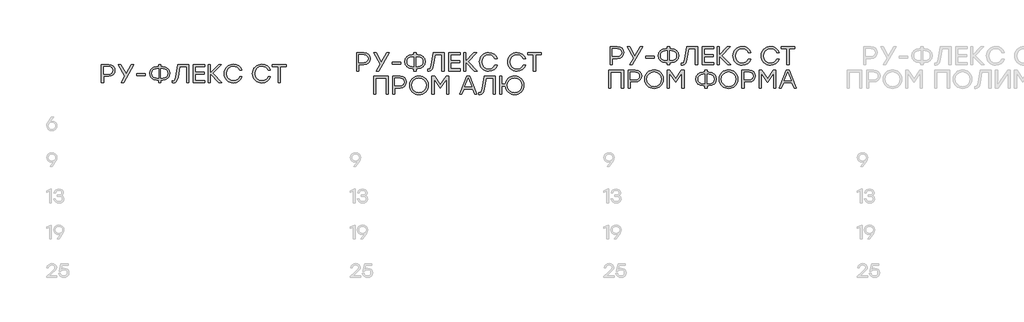
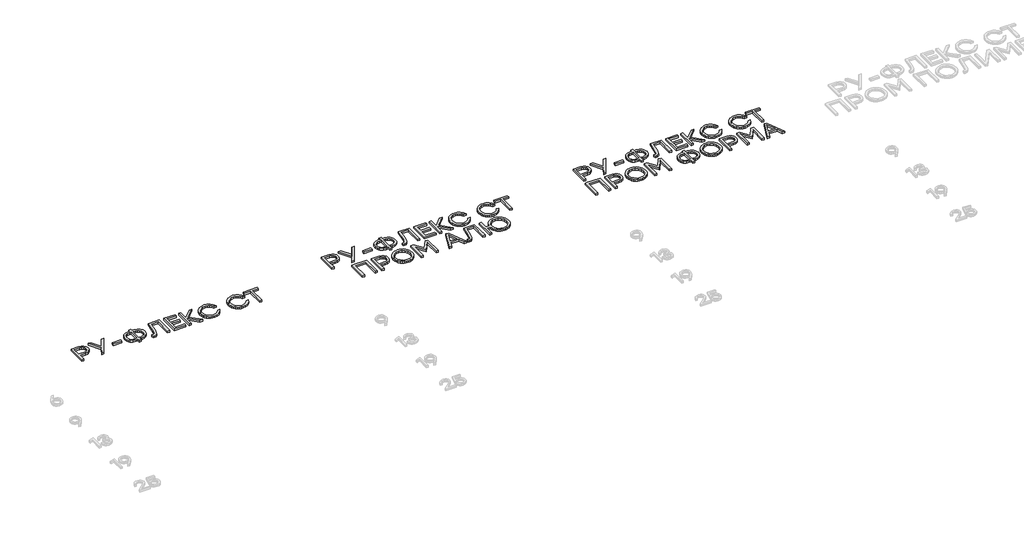
# One storey, part 25 of 41: 3 proxies.
"""IFC4 building model written with IfcOpenShell, lengths in millimetres."""

from ifc_helpers import new_model, si_unit, origin, origin_with_axes, place, context, project, spatial, polyline, outline, extrude, element, save

model = new_model("IFC4")

# Units and contexts
model_context = context("Model", 3, world=origin())
ifc_project = project(units=[si_unit("LENGTHUNIT", "METRE", prefix="MILLI")], contexts=[model_context])

# Site, building, storey
site = spatial("IfcSite", under=ifc_project)
building = spatial("IfcBuilding", under=site)
storey = spatial("IfcBuildingStorey", under=building, Elevation=0.0)

# Proxies
placement = place(None, origin())
element("IfcBuildingElementProxy", 1, Name="Generic Models", at=placement, inside=storey, context=model_context, shape_type="SweptSolid", body=[
    extrude(outline(polyline([(7309.0016488, -31173.0395342), (7338.0207206, -31177.5040068), (7359.8858785, -31190.8974245), (7373.6020292, -31211.3506257), (7378.1740794, -31236.9944487), (7373.5616876, -31263.0282406), (7359.724512, -31283.8983052), (7337.8190125, -31297.6144559), (7309.0016488, -31302.1865062), (7252.4158035, -31302.1865062), (7252.4158035, -31373.0263904), (7228.6949311, -31373.0263904), (7228.6949311, -31173.0395342), (7309.0016488, -31173.0395342)]), holes=[polyline([(7308.1410276, -31279.5951991), (7328.0092753, -31276.596472), (7342.4314043, -31267.6002908), (7351.2057066, -31254.0320594), (7354.1304741, -31237.3171816), (7351.2057066, -31220.6695399), (7342.4314043, -31207.3030166), (7328.0092753, -31198.5085435), (7308.1410276, -31195.5770524), (7252.4158035, -31195.5770524), (7252.4158035, -31279.5951991), (7308.1410276, -31279.5951991)])]), origin_with_axes(), (0.0, 0.0, 1.0), 20.0),
    extrude(outline(polyline([(7587.1974584, -31173.0395342), (7474.0795567, -31373.0263904), (7447.2389324, -31373.0263904), (7488.6563286, -31300.4652637), (7415.772469, -31173.0395342), (7442.6668822, -31173.0395342), (7501.7808023, -31275.0231489), (7560.6257782, -31173.0395342), (7587.1974584, -31173.0395342)])), origin_with_axes(), (0.0, 0.0, 1.0), 20.0),
    extrude(outline(polyline([(7713.7625667, -31275.614826), (7713.7625667, -31298.1523442), (7621.1382078, -31298.1523442), (7621.1382078, -31275.614826), (7713.7625667, -31275.614826)])), origin_with_axes(), (0.0, 0.0, 1.0), 20.0),
    extrude(outline(polyline([(7904.3363783, -31195.5770524), (7935.9843789, -31200.6869909), (7961.7559503, -31216.0168064), (7971.7455439, -31227.1191564), (7978.8809679, -31239.9864521), (7984.5893071, -31271.0158813), (7978.9145859, -31302.0453105), (7971.8211845, -31314.9126063), (7961.8904224, -31326.0149562), (7936.152469, -31341.3447717), (7904.3363783, -31346.4547102), (7884.595879, -31346.4547102), (7884.595879, -31373.0263904), (7860.8750066, -31373.0263904), (7860.8750066, -31346.4547102), (7840.9193521, -31346.4547102), (7809.0629197, -31341.3447717), (7783.3115191, -31326.0149562), (7773.380757, -31314.9126063), (7766.2873556, -31302.0453105), (7760.6126344, -31271.0158813), (7766.3276972, -31239.9864521), (7773.4715257, -31227.1191564), (7783.4728856, -31216.0168064), (7809.2646278, -31200.6869909), (7840.9193521, -31195.5770524), (7860.8750066, -31195.5770524), (7860.8750066, -31173.0395342), (7884.595879, -31173.0395342), (7884.595879, -31195.5770524), (7904.3363783, -31195.5770524)]), holes=[polyline([(7904.3363783, -31323.8634032), (7926.9411325, -31320.4007475), (7945.0545198, -31310.0127804), (7956.9552976, -31293.3382442), (7960.9222235, -31271.0158813), (7956.9552976, -31248.6935184), (7945.0545198, -31232.0189823), (7926.9411325, -31221.6310152), (7904.3363783, -31218.1683595), (7884.595879, -31218.1683595), (7884.595879, -31323.8634032), (7904.3363783, -31323.8634032)]), polyline([(7840.9193521, -31323.8634032), (7860.8750066, -31323.8634032), (7860.8750066, -31218.1683595), (7840.9193521, -31218.1683595), (7818.5163059, -31221.6310152), (7800.4701547, -31232.0189823), (7788.5693769, -31248.6935184), (7784.6024509, -31271.0158813), (7788.5290352, -31293.3382442), (7800.3087882, -31310.0127804), (7818.3145978, -31320.4007475), (7840.9193521, -31323.8634032)])]), origin_with_axes(), (0.0, 0.0, 1.0), 20.0),
    extrude(outline(polyline([(8074.2552805, -31173.0395342), (8194.5270961, -31173.0395342), (8194.5270961, -31373.0263904), (8170.8062237, -31373.0263904), (8170.8062237, -31195.5770524), (8094.2109351, -31195.5770524), (8075.1159018, -31311.8684949), (8068.0157767, -31341.8893836), (8058.2262103, -31361.5962648), (8045.0210534, -31372.5086729), (8027.674157, -31376.1461423), (8011.9678197, -31375.2855211), (8011.9678197, -31353.6086241), (8023.1021067, -31354.1465124), (8033.7993596, -31351.8604872), (8041.3634133, -31345.0024119), (8051.6639735, -31310.4699854), (8074.2552805, -31173.0395342)])), origin_with_axes(), (0.0, 0.0, 1.0), 20.0),
    extrude(outline(polyline([(8371.1158129, -31195.5770524), (8267.948844, -31195.5770524), (8267.948844, -31259.0478675), (8364.2308431, -31259.0478675), (8364.2308431, -31281.5853857), (8267.948844, -31281.5853857), (8267.948844, -31350.4350833), (8371.1158129, -31350.4350833), (8371.1158129, -31373.0263904), (8244.2279716, -31373.0263904), (8244.2279716, -31173.0395342), (8371.1158129, -31173.0395342), (8371.1158129, -31195.5770524)])), origin_with_axes(), (0.0, 0.0, 1.0), 20.0),
    extrude(outline(polyline([(8557.7630401, -31373.0263904), (8527.2109868, -31373.0263904), (8433.1881184, -31275.8837701), (8433.1881184, -31373.0263904), (8409.467246, -31373.0263904), (8409.467246, -31173.0395342), (8433.1881184, -31173.0395342), (8433.1881184, -31266.7396696), (8524.0912349, -31173.0395342), (8554.3743441, -31173.0395342), (8459.7597986, -31271.0427757), (8557.7630401, -31373.0263904)])), origin_with_axes(), (0.0, 0.0, 1.0), 20.0),
    extrude(outline(polyline([(8686.8024344, -31376.1461423), (8665.6045941, -31374.3072368), (8646.2792774, -31368.7905203), (8628.8264842, -31359.5959928), (8613.2462144, -31346.7236543), (8600.4327075, -31331.0828722), (8591.2802025, -31313.5830137), (8585.7886995, -31294.224079), (8583.9581985, -31273.0060679), (8585.7886995, -31251.7880568), (8591.2802025, -31232.4291221), (8600.4327075, -31214.9292636), (8613.2462144, -31199.2884814), (8628.8264842, -31186.416143), (8646.2792774, -31177.2216155), (8665.6045941, -31171.704899), (8686.8024344, -31169.8659935), (8718.282345, -31174.4044257), (8745.8087769, -31188.0197223), (8767.5529099, -31209.2730323), (8781.685924, -31236.7255046), (8756.2438092, -31236.7255046), (8744.7800656, -31218.5179869), (8728.6770357, -31204.4522088), (8708.9298128, -31195.4560276), (8686.5334903, -31192.4573005), (8655.6318096, -31198.2059813), (8630.3779556, -31215.4520238), (8613.5555002, -31241.34462), (8607.9480151, -31273.0329623), (8613.5555002, -31304.7213046), (8630.3779556, -31330.6139009), (8655.6318096, -31347.8599433), (8686.5334903, -31353.6086241), (8708.9298128, -31350.609897), (8728.6770357, -31341.6137158), (8744.7800656, -31327.5344905), (8756.2438092, -31309.2866312), (8781.685924, -31309.2866312), (8767.5529099, -31336.7727215), (8745.8087769, -31358.0193079), (8718.282345, -31371.6144337), (8686.8024344, -31376.1461423)])), origin_with_axes(), (0.0, 0.0, 1.0), 20.0),
    extrude(outline(polyline([(9000.0685588, -31376.1461423), (8978.8707185, -31374.3072368), (8959.5454018, -31368.7905203), (8942.0926085, -31359.5959928), (8926.5123388, -31346.7236543), (8913.6988318, -31331.0828722), (8904.5463269, -31313.5830137), (8899.0548239, -31294.224079), (8897.2243229, -31273.0060679), (8899.0548239, -31251.7880568), (8904.5463269, -31232.4291221), (8913.6988318, -31214.9292636), (8926.5123388, -31199.2884814), (8942.0926085, -31186.416143), (8959.5454018, -31177.2216155), (8978.8707185, -31171.704899), (9000.0685588, -31169.8659935), (9031.5484694, -31174.4044257), (9059.0749012, -31188.0197223), (9080.8190342, -31209.2730323), (9094.9520484, -31236.7255046), (9069.5099335, -31236.7255046), (9058.0461899, -31218.5179869), (9041.94316, -31204.4522088), (9022.1959372, -31195.4560276), (8999.7996146, -31192.4573005), (8968.8979339, -31198.2059813), (8943.64408, -31215.4520238), (8926.8216246, -31241.34462), (8921.2141394, -31273.0329623), (8926.8216246, -31304.7213046), (8943.64408, -31330.6139009), (8968.8979339, -31347.8599433), (8999.7996146, -31353.6086241), (9022.1959372, -31350.609897), (9041.94316, -31341.6137158), (9058.0461899, -31327.5344905), (9069.5099335, -31309.2866312), (9094.9520484, -31309.2866312), (9080.8190342, -31336.7727215), (9059.0749012, -31358.0193079), (9031.5484694, -31371.6144337), (9000.0685588, -31376.1461423)])), origin_with_axes(), (0.0, 0.0, 1.0), 20.0),
    extrude(outline(polyline([(9269.8733115, -31173.0395342), (9269.8733115, -31195.5770524), (9205.2729311, -31195.5770524), (9205.2729311, -31373.0263904), (9181.2831146, -31373.0263904), (9181.2831146, -31195.5770524), (9117.0054671, -31195.5770524), (9117.0054671, -31173.0395342), (9269.8733115, -31173.0395342)])), origin_with_axes(), (0.0, 0.0, 1.0), 20.0),
])
element("IfcBuildingElementProxy", 2, Name="Generic Models", at=placement, inside=storey, context=model_context, shape_type="SweptSolid", body=[
    extrude(outline(polyline([(10129.0016488, -31043.7784127), (10158.0207206, -31048.2428853), (10179.8858785, -31061.636303), (10193.6020292, -31082.0895042), (10198.1740794, -31107.7333272), (10193.5616876, -31133.7671191), (10179.724512, -31154.6371837), (10157.8190125, -31168.3533344), (10129.0016488, -31172.9253847), (10072.4158035, -31172.9253847), (10072.4158035, -31243.7652689), (10048.6949311, -31243.7652689), (10048.6949311, -31043.7784127), (10129.0016488, -31043.7784127)]), holes=[polyline([(10128.1410276, -31150.3340776), (10148.0092753, -31147.3353505), (10162.4314043, -31138.3391693), (10171.2057066, -31124.7709379), (10174.1304741, -31108.0560601), (10171.2057066, -31091.4084184), (10162.4314043, -31078.0418951), (10148.0092753, -31069.247422), (10128.1410276, -31066.3159309), (10072.4158035, -31066.3159309), (10072.4158035, -31150.3340776), (10128.1410276, -31150.3340776)])]), origin_with_axes(), (0.0, 0.0, 1.0), 20.0),
    extrude(outline(polyline([(10407.1974584, -31043.7784127), (10294.0795567, -31243.7652689), (10267.2389324, -31243.7652689), (10308.6563286, -31171.2041422), (10235.772469, -31043.7784127), (10262.6668822, -31043.7784127), (10321.7808023, -31145.7620274), (10380.6257782, -31043.7784127), (10407.1974584, -31043.7784127)])), origin_with_axes(), (0.0, 0.0, 1.0), 20.0),
    extrude(outline(polyline([(10533.7625667, -31146.3537045), (10533.7625667, -31168.8912227), (10441.1382078, -31168.8912227), (10441.1382078, -31146.3537045), (10533.7625667, -31146.3537045)])), origin_with_axes(), (0.0, 0.0, 1.0), 20.0),
    extrude(outline(polyline([(10724.3363783, -31066.3159309), (10755.9843789, -31071.4258694), (10781.7559503, -31086.7556849), (10791.7455439, -31097.8580349), (10798.8809679, -31110.7253306), (10804.5893071, -31141.7547598), (10798.9145859, -31172.784189), (10791.8211845, -31185.6514848), (10781.8904224, -31196.7538347), (10756.152469, -31212.0836502), (10724.3363783, -31217.1935887), (10704.595879, -31217.1935887), (10704.595879, -31243.7652689), (10680.8750066, -31243.7652689), (10680.8750066, -31217.1935887), (10660.9193521, -31217.1935887), (10629.0629197, -31212.0836502), (10603.3115191, -31196.7538347), (10593.380757, -31185.6514848), (10586.2873556, -31172.784189), (10580.6126344, -31141.7547598), (10586.3276972, -31110.7253306), (10593.4715257, -31097.8580349), (10603.4728856, -31086.7556849), (10629.2646278, -31071.4258694), (10660.9193521, -31066.3159309), (10680.8750066, -31066.3159309), (10680.8750066, -31043.7784127), (10704.595879, -31043.7784127), (10704.595879, -31066.3159309), (10724.3363783, -31066.3159309)]), holes=[polyline([(10724.3363783, -31194.6022816), (10746.9411325, -31191.139626), (10765.0545198, -31180.7516589), (10776.9552976, -31164.0771227), (10780.9222235, -31141.7547598), (10776.9552976, -31119.4323969), (10765.0545198, -31102.7578607), (10746.9411325, -31092.3698937), (10724.3363783, -31088.907238), (10704.595879, -31088.907238), (10704.595879, -31194.6022816), (10724.3363783, -31194.6022816)]), polyline([(10660.9193521, -31194.6022816), (10680.8750066, -31194.6022816), (10680.8750066, -31088.907238), (10660.9193521, -31088.907238), (10638.5163059, -31092.3698937), (10620.4701547, -31102.7578607), (10608.5693769, -31119.4323969), (10604.6024509, -31141.7547598), (10608.5290352, -31164.0771227), (10620.3087882, -31180.7516589), (10638.3145978, -31191.139626), (10660.9193521, -31194.6022816)])]), origin_with_axes(), (0.0, 0.0, 1.0), 20.0),
    extrude(outline(polyline([(10894.2552805, -31043.7784127), (11014.5270961, -31043.7784127), (11014.5270961, -31243.7652689), (10990.8062237, -31243.7652689), (10990.8062237, -31066.3159309), (10914.2109351, -31066.3159309), (10895.1159018, -31182.6073734), (10888.0157767, -31212.6282621), (10878.2262103, -31232.3351433), (10865.0210534, -31243.2475514), (10847.674157, -31246.8850208), (10831.9678197, -31246.0243996), (10831.9678197, -31224.3475026), (10843.1021067, -31224.8853909), (10853.7993596, -31222.5993657), (10861.3634133, -31215.7412904), (10871.6639735, -31181.2088639), (10894.2552805, -31043.7784127)])), origin_with_axes(), (0.0, 0.0, 1.0), 20.0),
    extrude(outline(polyline([(11191.1158129, -31066.3159309), (11087.948844, -31066.3159309), (11087.948844, -31129.786746), (11184.2308431, -31129.786746), (11184.2308431, -31152.3242642), (11087.948844, -31152.3242642), (11087.948844, -31221.1739618), (11191.1158129, -31221.1739618), (11191.1158129, -31243.7652689), (11064.2279716, -31243.7652689), (11064.2279716, -31043.7784127), (11191.1158129, -31043.7784127), (11191.1158129, -31066.3159309)])), origin_with_axes(), (0.0, 0.0, 1.0), 20.0),
    extrude(outline(polyline([(11377.7630401, -31243.7652689), (11347.2109868, -31243.7652689), (11253.1881184, -31146.6226486), (11253.1881184, -31243.7652689), (11229.467246, -31243.7652689), (11229.467246, -31043.7784127), (11253.1881184, -31043.7784127), (11253.1881184, -31137.4785481), (11344.0912349, -31043.7784127), (11374.3743441, -31043.7784127), (11279.7597986, -31141.7816542), (11377.7630401, -31243.7652689)])), origin_with_axes(), (0.0, 0.0, 1.0), 20.0),
    extrude(outline(polyline([(11506.8024344, -31246.8850208), (11485.6045941, -31245.0461153), (11466.2792774, -31239.5293988), (11448.8264842, -31230.3348713), (11433.2462144, -31217.4625328), (11420.4327075, -31201.8217507), (11411.2802025, -31184.3218922), (11405.7886995, -31164.9629575), (11403.9581985, -31143.7449464), (11405.7886995, -31122.5269353), (11411.2802025, -31103.1680005), (11420.4327075, -31085.6681421), (11433.2462144, -31070.0273599), (11448.8264842, -31057.1550215), (11466.2792774, -31047.960494), (11485.6045941, -31042.4437775), (11506.8024344, -31040.604872), (11538.282345, -31045.1433042), (11565.8087769, -31058.7586008), (11587.5529099, -31080.0119108), (11601.685924, -31107.464383), (11576.2438092, -31107.464383), (11564.7800656, -31089.2568653), (11548.6770357, -31075.1910873), (11528.9298128, -31066.1949061), (11506.5334903, -31063.196179), (11475.6318096, -31068.9448598), (11450.3779556, -31086.1909022), (11433.5555002, -31112.0834985), (11427.9480151, -31143.7718408), (11433.5555002, -31175.4601831), (11450.3779556, -31201.3527793), (11475.6318096, -31218.5988218), (11506.5334903, -31224.3475026), (11528.9298128, -31221.3487755), (11548.6770357, -31212.3525943), (11564.7800656, -31198.273369), (11576.2438092, -31180.0255097), (11601.685924, -31180.0255097), (11587.5529099, -31207.5116), (11565.8087769, -31228.7581863), (11538.282345, -31242.3533122), (11506.8024344, -31246.8850208)])), origin_with_axes(), (0.0, 0.0, 1.0), 20.0),
    extrude(outline(polyline([(11820.0685588, -31246.8850208), (11798.8707185, -31245.0461153), (11779.5454018, -31239.5293988), (11762.0926085, -31230.3348713), (11746.5123388, -31217.4625328), (11733.6988318, -31201.8217507), (11724.5463269, -31184.3218922), (11719.0548239, -31164.9629575), (11717.2243229, -31143.7449464), (11719.0548239, -31122.5269353), (11724.5463269, -31103.1680005), (11733.6988318, -31085.6681421), (11746.5123388, -31070.0273599), (11762.0926085, -31057.1550215), (11779.5454018, -31047.960494), (11798.8707185, -31042.4437775), (11820.0685588, -31040.604872), (11851.5484694, -31045.1433042), (11879.0749012, -31058.7586008), (11900.8190342, -31080.0119108), (11914.9520484, -31107.464383), (11889.5099335, -31107.464383), (11878.0461899, -31089.2568653), (11861.94316, -31075.1910873), (11842.1959372, -31066.1949061), (11819.7996146, -31063.196179), (11788.8979339, -31068.9448598), (11763.64408, -31086.1909022), (11746.8216246, -31112.0834985), (11741.2141394, -31143.7718408), (11746.8216246, -31175.4601831), (11763.64408, -31201.3527793), (11788.8979339, -31218.5988218), (11819.7996146, -31224.3475026), (11842.1959372, -31221.3487755), (11861.94316, -31212.3525943), (11878.0461899, -31198.273369), (11889.5099335, -31180.0255097), (11914.9520484, -31180.0255097), (11900.8190342, -31207.5116), (11879.0749012, -31228.7581863), (11851.5484694, -31242.3533122), (11820.0685588, -31246.8850208)])), origin_with_axes(), (0.0, 0.0, 1.0), 20.0),
    extrude(outline(polyline([(12089.8733115, -31043.7784127), (12089.8733115, -31066.3159309), (12025.2729311, -31066.3159309), (12025.2729311, -31243.7652689), (12001.2831146, -31243.7652689), (12001.2831146, -31066.3159309), (11937.0054671, -31066.3159309), (11937.0054671, -31043.7784127), (12089.8733115, -31043.7784127)])), origin_with_axes(), (0.0, 0.0, 1.0), 20.0),
    extrude(outline(polyline([(10398.0533579, -31302.3006557), (10398.0533579, -31502.2875119), (10374.3324855, -31502.2875119), (10374.3324855, -31324.8381739), (10258.3099872, -31324.8381739), (10258.3099872, -31502.2875119), (10234.5891148, -31502.2875119), (10234.5891148, -31302.3006557), (10258.3099872, -31302.3006557), (10398.0533579, -31302.3006557)])), origin_with_axes(), (0.0, 0.0, 1.0), 20.0),
    extrude(outline(polyline([(10528.3298952, -31302.3006557), (10557.348967, -31306.7651283), (10579.2141249, -31320.1585461), (10592.9302756, -31340.6117473), (10597.5023259, -31366.2555702), (10592.889934, -31392.2893621), (10579.0527584, -31413.1594267), (10557.1472589, -31426.8755774), (10528.3298952, -31431.4476277), (10471.74405, -31431.4476277), (10471.74405, -31502.2875119), (10448.0231776, -31502.2875119), (10448.0231776, -31302.3006557), (10528.3298952, -31302.3006557)]), holes=[polyline([(10527.469274, -31408.8563206), (10547.3375217, -31405.8575936), (10561.7596508, -31396.8614124), (10570.5339531, -31383.2931809), (10573.4587205, -31366.5783031), (10570.5339531, -31349.9306614), (10561.7596508, -31336.5641381), (10547.3375217, -31327.769665), (10527.469274, -31324.8381739), (10471.74405, -31324.8381739), (10471.74405, -31408.8563206), (10527.469274, -31408.8563206)])]), origin_with_axes(), (0.0, 0.0, 1.0), 20.0),
    extrude(outline(polyline([(10662.1027062, -31328.7109694), (10677.8964504, -31315.7680331), (10695.4248841, -31306.5230786), (10714.6880075, -31300.9761059), (10735.6858206, -31299.127115), (10756.6651438, -31300.9761059), (10775.8727975, -31306.5230786), (10793.3087817, -31315.7680331), (10808.9730964, -31328.7109694), (10821.9042665, -31344.4038595), (10831.1408165, -31361.8986753), (10836.6827465, -31381.1954167), (10838.5300565, -31402.2940838), (10836.6726611, -31423.39107), (10831.1004749, -31442.6827688), (10821.8134978, -31460.16918), (10808.81173, -31475.8503038), (10793.0784983, -31488.7814738), (10775.5971297, -31498.0180238), (10756.3676243, -31503.5599538), (10735.3899821, -31505.4072638), (10714.4123398, -31503.5599538), (10695.1828344, -31498.0180238), (10677.7014659, -31488.7814738), (10661.9682342, -31475.8503038), (10648.9664663, -31460.16918), (10639.6794893, -31442.6827688), (10634.1073031, -31423.39107), (10632.2499076, -31402.2940838), (10634.1157076, -31381.1954167), (10639.7131073, -31361.8986753), (10649.0421069, -31344.4038595), (10662.1027062, -31328.7109694)]), holes=[polyline([(10735.4168765, -31321.718422), (10704.6093262, -31327.5007208), (10679.0999753, -31344.8476173), (10661.954787, -31370.767108), (10656.2397242, -31402.2671894), (10661.954787, -31433.7739944), (10679.0999753, -31459.7136559), (10704.6093262, -31477.0807232), (10735.4168765, -31482.8697456), (10766.3857932, -31477.1210648), (10791.8413553, -31459.8750224), (10808.8655188, -31433.9824261), (10814.54024, -31402.2940838), (10808.8655188, -31370.6057415), (10791.8413553, -31344.7131453), (10766.3857932, -31327.4671028), (10735.4168765, -31321.718422)])]), origin_with_axes(), (0.0, 0.0, 1.0), 20.0),
    extrude(outline(polyline([(11036.3653596, -31302.3006557), (11065.5189035, -31302.3006557), (11065.5189035, -31502.2875119), (11041.7980311, -31502.2875119), (11041.7980311, -31332.8527091), (10974.0778988, -31435.1590567), (10971.8187681, -31435.1590567), (10904.0986357, -31332.8527091), (10904.0986357, -31502.2875119), (10880.3777634, -31502.2875119), (10880.3777634, -31302.3006557), (10909.5313072, -31302.3006557), (10972.9483334, -31397.7220336), (11036.3653596, -31302.3006557)])), origin_with_axes(), (0.0, 0.0, 1.0), 20.0),
    extrude(outline(polyline([(11351.9444035, -31502.2875119), (11328.2235311, -31442.2591817), (11235.3840169, -31442.2591817), (11211.6631445, -31502.2875119), (11186.5437626, -31502.2875119), (11266.5277473, -31302.3006557), (11297.0798007, -31302.3006557), (11377.1175742, -31502.2875119), (11351.9444035, -31502.2875119)]), holes=[polyline([(11244.5281174, -31419.7216635), (11319.4021636, -31419.7216635), (11281.9651405, -31324.8381739), (11244.5281174, -31419.7216635)])]), origin_with_axes(), (0.0, 0.0, 1.0), 20.0),
    extrude(outline(polyline([(11458.8228014, -31302.3006557), (11579.094617, -31302.3006557), (11579.094617, -31502.2875119), (11555.3737446, -31502.2875119), (11555.3737446, -31324.8381739), (11478.7784559, -31324.8381739), (11459.6834226, -31441.1296164), (11452.5832975, -31471.1505051), (11442.7937311, -31490.8573863), (11429.5885743, -31501.7697944), (11412.2416778, -31505.4072638), (11396.5353405, -31504.5466426), (11396.5353405, -31482.8697456), (11407.6696275, -31483.4076339), (11418.3668804, -31481.1216087), (11425.9309341, -31474.2635334), (11436.2314943, -31439.7311069), (11458.8228014, -31302.3006557)])), origin_with_axes(), (0.0, 0.0, 1.0), 20.0),
    extrude(outline(polyline([(11793.1203568, -31299.127115), (11814.1080845, -31300.9761059), (11833.3409517, -31306.5230786), (11850.8189584, -31315.7680331), (11866.5421047, -31328.7109694), (11879.5321062, -31344.4038595), (11888.8106788, -31361.8986753), (11894.3778223, -31381.1954167), (11896.2335368, -31402.2940838), (11894.3778223, -31423.39107), (11888.8106788, -31442.6827688), (11879.5321062, -31460.16918), (11866.5421047, -31475.8503038), (11850.8189584, -31488.7814738), (11833.3409517, -31498.0180238), (11814.1080845, -31503.5599538), (11793.1203568, -31505.4072638), (11773.5630757, -31503.7919181), (11755.4480076, -31498.9458811), (11738.7751523, -31490.8691526), (11723.54451, -31479.5617328), (11710.5998927, -31465.7733033), (11700.7851128, -31450.2535461), (11694.1001703, -31433.0024609), (11690.545065, -31414.0200479), (11652.5163648, -31414.0200479), (11652.5163648, -31502.2875119), (11628.7954925, -31502.2875119), (11628.7954925, -31302.3006557), (11652.5163648, -31302.3006557), (11652.5163648, -31391.1597968), (11690.2761209, -31391.1597968), (11693.8295452, -31372.0261027), (11700.5094451, -31354.6439073), (11710.3158205, -31339.0132106), (11723.2486714, -31325.1340125), (11738.4877183, -31313.7559948), (11755.2126815, -31305.6288393), (11773.423561, -31300.7525461), (11793.1203568, -31299.127115)]), holes=[polyline([(11736.6420892, -31459.9019168), (11762.1379928, -31477.1277884), (11793.1203568, -31482.8697456), (11824.0892735, -31477.1210648), (11849.5448356, -31459.8750224), (11866.5689991, -31433.9824261), (11872.2437203, -31402.2940838), (11866.5689991, -31370.6057415), (11849.5448356, -31344.7131453), (11824.0892735, -31327.4671028), (11793.1203568, -31321.718422), (11762.1447164, -31327.4671028), (11736.6689836, -31344.7131453), (11719.5574132, -31370.6057415), (11713.6742603, -31402.2940838), (11719.5506896, -31433.9891497), (11736.6420892, -31459.9019168)])]), origin_with_axes(), (0.0, 0.0, 1.0), 20.0),
])
element("IfcBuildingElementProxy", 3, Name="Generic Models", at=placement, inside=storey, context=model_context, shape_type="SweptSolid", body=[
    extrude(outline(polyline([(12929.0016488, -30976.5012744), (12958.0207206, -30980.965747), (12979.8858785, -30994.3591647), (12993.6020292, -31014.8123659), (12998.1740794, -31040.4561888), (12993.5616876, -31066.4899808), (12979.724512, -31087.3600454), (12957.8190125, -31101.0761961), (12929.0016488, -31105.6482463), (12872.4158035, -31105.6482463), (12872.4158035, -31176.4881306), (12848.6949311, -31176.4881306), (12848.6949311, -30976.5012744), (12929.0016488, -30976.5012744)]), holes=[polyline([(12928.1410276, -31083.0569393), (12948.0092753, -31080.0582122), (12962.4314043, -31071.062031), (12971.2057066, -31057.4937996), (12974.1304741, -31040.7789218), (12971.2057066, -31024.1312801), (12962.4314043, -31010.7647567), (12948.0092753, -31001.9702836), (12928.1410276, -30999.0387926), (12872.4158035, -30999.0387926), (12872.4158035, -31083.0569393), (12928.1410276, -31083.0569393)])]), origin_with_axes(), (0.0, 0.0, 1.0), 20.0),
    extrude(outline(polyline([(13207.1974584, -30976.5012744), (13094.0795567, -31176.4881306), (13067.2389324, -31176.4881306), (13108.6563286, -31103.9270039), (13035.772469, -30976.5012744), (13062.6668822, -30976.5012744), (13121.7808023, -31078.484889), (13180.6257782, -30976.5012744), (13207.1974584, -30976.5012744)])), origin_with_axes(), (0.0, 0.0, 1.0), 20.0),
    extrude(outline(polyline([(13333.7625667, -31079.0765661), (13333.7625667, -31101.6140843), (13241.1382078, -31101.6140843), (13241.1382078, -31079.0765661), (13333.7625667, -31079.0765661)])), origin_with_axes(), (0.0, 0.0, 1.0), 20.0),
    extrude(outline(polyline([(13524.3363783, -30999.0387926), (13555.9843789, -31004.1487311), (13581.7559503, -31019.4785466), (13591.7455439, -31030.5808965), (13598.8809679, -31043.4481923), (13604.5893071, -31074.4776215), (13598.9145859, -31105.5070506), (13591.8211845, -31118.3743464), (13581.8904224, -31129.4766964), (13556.152469, -31144.8065119), (13524.3363783, -31149.9164504), (13504.595879, -31149.9164504), (13504.595879, -31176.4881306), (13480.8750066, -31176.4881306), (13480.8750066, -31149.9164504), (13460.9193521, -31149.9164504), (13429.0629197, -31144.8065119), (13403.3115191, -31129.4766964), (13393.380757, -31118.3743464), (13386.2873556, -31105.5070506), (13380.6126344, -31074.4776215), (13386.3276972, -31043.4481923), (13393.4715257, -31030.5808965), (13403.4728856, -31019.4785466), (13429.2646278, -31004.1487311), (13460.9193521, -30999.0387926), (13480.8750066, -30999.0387926), (13480.8750066, -30976.5012744), (13504.595879, -30976.5012744), (13504.595879, -30999.0387926), (13524.3363783, -30999.0387926)]), holes=[polyline([(13524.3363783, -31127.3251433), (13546.9411325, -31123.8624876), (13565.0545198, -31113.4745205), (13576.9552976, -31096.7999844), (13580.9222235, -31074.4776215), (13576.9552976, -31052.1552586), (13565.0545198, -31035.4807224), (13546.9411325, -31025.0927553), (13524.3363783, -31021.6300996), (13504.595879, -31021.6300996), (13504.595879, -31127.3251433), (13524.3363783, -31127.3251433)]), polyline([(13460.9193521, -31127.3251433), (13480.8750066, -31127.3251433), (13480.8750066, -31021.6300996), (13460.9193521, -31021.6300996), (13438.5163059, -31025.0927553), (13420.4701547, -31035.4807224), (13408.5693769, -31052.1552586), (13404.6024509, -31074.4776215), (13408.5290352, -31096.7999844), (13420.3087882, -31113.4745205), (13438.3145978, -31123.8624876), (13460.9193521, -31127.3251433)])]), origin_with_axes(), (0.0, 0.0, 1.0), 20.0),
    extrude(outline(polyline([(13694.2552805, -30976.5012744), (13814.5270961, -30976.5012744), (13814.5270961, -31176.4881306), (13790.8062237, -31176.4881306), (13790.8062237, -30999.0387926), (13714.2109351, -30999.0387926), (13695.1159018, -31115.3302351), (13688.0157767, -31145.3511237), (13678.2262103, -31165.058005), (13665.0210534, -31175.9704131), (13647.674157, -31179.6078825), (13631.9678197, -31178.7472613), (13631.9678197, -31157.0703643), (13643.1021067, -31157.6082525), (13653.7993596, -31155.3222274), (13661.3634133, -31148.4641521), (13671.6639735, -31113.9317256), (13694.2552805, -30976.5012744)])), origin_with_axes(), (0.0, 0.0, 1.0), 20.0),
    extrude(outline(polyline([(13991.1158129, -30999.0387926), (13887.948844, -30999.0387926), (13887.948844, -31062.5096076), (13984.2308431, -31062.5096076), (13984.2308431, -31085.0471258), (13887.948844, -31085.0471258), (13887.948844, -31153.8968235), (13991.1158129, -31153.8968235), (13991.1158129, -31176.4881306), (13864.2279716, -31176.4881306), (13864.2279716, -30976.5012744), (13991.1158129, -30976.5012744), (13991.1158129, -30999.0387926)])), origin_with_axes(), (0.0, 0.0, 1.0), 20.0),
    extrude(outline(polyline([(14177.7630401, -31176.4881306), (14147.2109868, -31176.4881306), (14053.1881184, -31079.3455103), (14053.1881184, -31176.4881306), (14029.467246, -31176.4881306), (14029.467246, -30976.5012744), (14053.1881184, -30976.5012744), (14053.1881184, -31070.2014098), (14144.0912349, -30976.5012744), (14174.3743441, -30976.5012744), (14079.7597986, -31074.5045159), (14177.7630401, -31176.4881306)])), origin_with_axes(), (0.0, 0.0, 1.0), 20.0),
    extrude(outline(polyline([(14306.8024344, -31179.6078825), (14285.6045941, -31177.768977), (14266.2792774, -31172.2522605), (14248.8264842, -31163.057733), (14233.2462144, -31150.1853945), (14220.4327075, -31134.5446123), (14211.2802025, -31117.0447539), (14205.7886995, -31097.6858191), (14203.9581985, -31076.4678081), (14205.7886995, -31055.249797), (14211.2802025, -31035.8908622), (14220.4327075, -31018.3910038), (14233.2462144, -31002.7502216), (14248.8264842, -30989.8778831), (14266.2792774, -30980.6833556), (14285.6045941, -30975.1666391), (14306.8024344, -30973.3277336), (14338.282345, -30977.8661658), (14365.8087769, -30991.4814625), (14387.5529099, -31012.7347725), (14401.685924, -31040.1872447), (14376.2438092, -31040.1872447), (14364.7800656, -31021.979727), (14348.6770357, -31007.9139489), (14328.9298128, -30998.9177677), (14306.5334903, -30995.9190407), (14275.6318096, -31001.6677215), (14250.3779556, -31018.9137639), (14233.5555002, -31044.8063602), (14227.9480151, -31076.4947025), (14233.5555002, -31108.1830448), (14250.3779556, -31134.075641), (14275.6318096, -31151.3216834), (14306.5334903, -31157.0703643), (14328.9298128, -31154.0716372), (14348.6770357, -31145.075456), (14364.7800656, -31130.9962307), (14376.2438092, -31112.7483714), (14401.685924, -31112.7483714), (14387.5529099, -31140.2344616), (14365.8087769, -31161.481048), (14338.282345, -31175.0761739), (14306.8024344, -31179.6078825)])), origin_with_axes(), (0.0, 0.0, 1.0), 20.0),
    extrude(outline(polyline([(14620.0685588, -31179.6078825), (14598.8707185, -31177.768977), (14579.5454018, -31172.2522605), (14562.0926085, -31163.057733), (14546.5123388, -31150.1853945), (14533.6988318, -31134.5446123), (14524.5463269, -31117.0447539), (14519.0548239, -31097.6858191), (14517.2243229, -31076.4678081), (14519.0548239, -31055.249797), (14524.5463269, -31035.8908622), (14533.6988318, -31018.3910038), (14546.5123388, -31002.7502216), (14562.0926085, -30989.8778831), (14579.5454018, -30980.6833556), (14598.8707185, -30975.1666391), (14620.0685588, -30973.3277336), (14651.5484694, -30977.8661658), (14679.0749012, -30991.4814625), (14700.8190342, -31012.7347725), (14714.9520484, -31040.1872447), (14689.5099335, -31040.1872447), (14678.0461899, -31021.979727), (14661.94316, -31007.9139489), (14642.1959372, -30998.9177677), (14619.7996146, -30995.9190407), (14588.8979339, -31001.6677215), (14563.64408, -31018.9137639), (14546.8216246, -31044.8063602), (14541.2141394, -31076.4947025), (14546.8216246, -31108.1830448), (14563.64408, -31134.075641), (14588.8979339, -31151.3216834), (14619.7996146, -31157.0703643), (14642.1959372, -31154.0716372), (14661.94316, -31145.075456), (14678.0461899, -31130.9962307), (14689.5099335, -31112.7483714), (14714.9520484, -31112.7483714), (14700.8190342, -31140.2344616), (14679.0749012, -31161.481048), (14651.5484694, -31175.0761739), (14620.0685588, -31179.6078825)])), origin_with_axes(), (0.0, 0.0, 1.0), 20.0),
    extrude(outline(polyline([(14889.8733115, -30976.5012744), (14889.8733115, -30999.0387926), (14825.2729311, -30999.0387926), (14825.2729311, -31176.4881306), (14801.2831146, -31176.4881306), (14801.2831146, -30999.0387926), (14737.0054671, -30999.0387926), (14737.0054671, -30976.5012744), (14889.8733115, -30976.5012744)])), origin_with_axes(), (0.0, 0.0, 1.0), 20.0),
    extrude(outline(polyline([(12996.6679923, -31235.0235174), (12996.6679923, -31435.0103736), (12972.9471199, -31435.0103736), (12972.9471199, -31257.5610356), (12856.9246216, -31257.5610356), (12856.9246216, -31435.0103736), (12833.2037492, -31435.0103736), (12833.2037492, -31235.0235174), (12856.9246216, -31235.0235174), (12996.6679923, -31235.0235174)])), origin_with_axes(), (0.0, 0.0, 1.0), 20.0),
    extrude(outline(polyline([(13126.9445296, -31235.0235174), (13155.9636014, -31239.48799), (13177.8287593, -31252.8814077), (13191.54491, -31273.3346089), (13196.1169602, -31298.9784319), (13191.5045683, -31325.0122238), (13177.6673928, -31345.8822884), (13155.7618933, -31359.5984391), (13126.9445296, -31364.1704893), (13070.3586843, -31364.1704893), (13070.3586843, -31435.0103736), (13046.6378119, -31435.0103736), (13046.6378119, -31235.0235174), (13126.9445296, -31235.0235174)]), holes=[polyline([(13126.0839084, -31341.5791823), (13145.9521561, -31338.5804552), (13160.3742851, -31329.584274), (13169.1485874, -31316.0160426), (13172.0733548, -31299.3011648), (13169.1485874, -31282.6535231), (13160.3742851, -31269.2869997), (13145.9521561, -31260.4925266), (13126.0839084, -31257.5610356), (13070.3586843, -31257.5610356), (13070.3586843, -31341.5791823), (13126.0839084, -31341.5791823)])]), origin_with_axes(), (0.0, 0.0, 1.0), 20.0),
    extrude(outline(polyline([(13260.7173406, -31261.4338311), (13276.5110847, -31248.4908948), (13294.0395185, -31239.2459403), (13313.3026419, -31233.6989675), (13334.300455, -31231.8499766), (13355.2797781, -31233.6989675), (13374.4874318, -31239.2459403), (13391.923416, -31248.4908948), (13407.5877308, -31261.4338311), (13420.5189008, -31277.1267212), (13429.7554508, -31294.6215369), (13435.2973808, -31313.9182784), (13437.1446908, -31335.0169455), (13435.2872954, -31356.1139317), (13429.7151092, -31375.4056304), (13420.4281322, -31392.8920417), (13407.4263643, -31408.5731654), (13391.6931326, -31421.5043355), (13374.2117641, -31430.7408855), (13354.9822587, -31436.2828155), (13334.0046164, -31438.1301255), (13313.0269742, -31436.2828155), (13293.7974688, -31430.7408855), (13276.3161002, -31421.5043355), (13260.5828685, -31408.5731654), (13247.5811007, -31392.8920417), (13238.2941236, -31375.4056304), (13232.7219374, -31356.1139317), (13230.864542, -31335.0169455), (13232.7303419, -31313.9182784), (13238.3277416, -31294.6215369), (13247.6567412, -31277.1267212), (13260.7173406, -31261.4338311)]), holes=[polyline([(13334.0315108, -31254.4412837), (13303.2239606, -31260.2235825), (13277.7146097, -31277.570479), (13260.5694213, -31303.4899697), (13254.8543585, -31334.9900511), (13260.5694213, -31366.4968561), (13277.7146097, -31392.4365175), (13303.2239606, -31409.8035848), (13334.0315108, -31415.5926073), (13365.0004276, -31409.8439265), (13390.4559896, -31392.597884), (13407.4801531, -31366.7052878), (13413.1548743, -31335.0169455), (13407.4801531, -31303.3286032), (13390.4559896, -31277.4360069), (13365.0004276, -31260.1899645), (13334.0315108, -31254.4412837)])]), origin_with_axes(), (0.0, 0.0, 1.0), 20.0),
    extrude(outline(polyline([(13634.979994, -31235.0235174), (13664.1335378, -31235.0235174), (13664.1335378, -31435.0103736), (13640.4126654, -31435.0103736), (13640.4126654, -31265.5755707), (13572.6925331, -31367.8819183), (13570.4334024, -31367.8819183), (13502.7132701, -31265.5755707), (13502.7132701, -31435.0103736), (13478.9923977, -31435.0103736), (13478.9923977, -31235.0235174), (13508.1459415, -31235.0235174), (13571.5629678, -31330.4448952), (13634.979994, -31235.0235174)])), origin_with_axes(), (0.0, 0.0, 1.0), 20.0),
    extrude(outline(polyline([(13939.1558067, -31257.5610356), (13970.8038073, -31262.6709741), (13996.5753787, -31278.0007896), (14006.5649723, -31289.1031395), (14013.7003963, -31301.9704353), (14019.4087355, -31332.9998645), (14013.7340143, -31364.0292937), (14006.6406129, -31376.8965895), (13996.7098508, -31387.9989394), (13970.9718974, -31403.3287549), (13939.1558067, -31408.4386934), (13919.4153074, -31408.4386934), (13919.4153074, -31435.0103736), (13895.694435, -31435.0103736), (13895.694435, -31408.4386934), (13875.7387805, -31408.4386934), (13843.8823481, -31403.3287549), (13818.1309475, -31387.9989394), (13808.2001854, -31376.8965895), (13801.106784, -31364.0292937), (13795.4320628, -31332.9998645), (13801.1471256, -31301.9704353), (13808.2909541, -31289.1031395), (13818.292314, -31278.0007896), (13844.0840562, -31262.6709741), (13875.7387805, -31257.5610356), (13895.694435, -31257.5610356), (13895.694435, -31235.0235174), (13919.4153074, -31235.0235174), (13919.4153074, -31257.5610356), (13939.1558067, -31257.5610356)]), holes=[polyline([(13875.7387805, -31385.8473863), (13895.694435, -31385.8473863), (13895.694435, -31280.1523427), (13875.7387805, -31280.1523427), (13853.3357343, -31283.6149983), (13835.2895831, -31294.0029654), (13823.3888053, -31310.6775016), (13819.4218793, -31332.9998645), (13823.3484636, -31355.3222274), (13835.1282166, -31371.9967636), (13853.1340262, -31382.3847306), (13875.7387805, -31385.8473863)]), polyline([(13939.1558067, -31385.8473863), (13961.7605609, -31382.3847306), (13979.8739482, -31371.9967636), (13991.774726, -31355.3222274), (13995.7416519, -31332.9998645), (13991.774726, -31310.6775016), (13979.8739482, -31294.0029654), (13961.7605609, -31283.6149983), (13939.1558067, -31280.1523427), (13919.4153074, -31280.1523427), (13919.4153074, -31385.8473863), (13939.1558067, -31385.8473863)])]), origin_with_axes(), (0.0, 0.0, 1.0), 20.0),
    extrude(outline(polyline([(14083.4712276, -31261.4338311), (14099.2649717, -31248.4908948), (14116.7934055, -31239.2459403), (14136.0565289, -31233.6989675), (14157.054342, -31231.8499766), (14178.0336652, -31233.6989675), (14197.2413188, -31239.2459403), (14214.6773031, -31248.4908948), (14230.3416178, -31261.4338311), (14243.2727878, -31277.1267212), (14252.5093379, -31294.6215369), (14258.0512679, -31313.9182784), (14259.8985779, -31335.0169455), (14258.0411825, -31356.1139317), (14252.4689962, -31375.4056304), (14243.1820192, -31392.8920417), (14230.1802513, -31408.5731654), (14214.4470197, -31421.5043355), (14196.9656511, -31430.7408855), (14177.7361457, -31436.2828155), (14156.7585035, -31438.1301255), (14135.7808612, -31436.2828155), (14116.5513558, -31430.7408855), (14099.0699872, -31421.5043355), (14083.3367556, -31408.5731654), (14070.3349877, -31392.8920417), (14061.0480107, -31375.4056304), (14055.4758244, -31356.1139317), (14053.618429, -31335.0169455), (14055.4842289, -31313.9182784), (14061.0816287, -31294.6215369), (14070.4106282, -31277.1267212), (14083.4712276, -31261.4338311)]), holes=[polyline([(14156.7853979, -31254.4412837), (14125.9778476, -31260.2235825), (14100.4684967, -31277.570479), (14083.3233084, -31303.4899697), (14077.6082456, -31334.9900511), (14083.3233084, -31366.4968561), (14100.4684967, -31392.4365175), (14125.9778476, -31409.8035848), (14156.7853979, -31415.5926073), (14187.7543146, -31409.8439265), (14213.2098767, -31392.597884), (14230.2340402, -31366.7052878), (14235.9087613, -31335.0169455), (14230.2340402, -31303.3286032), (14213.2098767, -31277.4360069), (14187.7543146, -31260.1899645), (14156.7853979, -31254.4412837)])]), origin_with_axes(), (0.0, 0.0, 1.0), 20.0),
    extrude(outline(polyline([(14383.4515119, -31235.0235174), (14412.4705837, -31239.48799), (14434.3357416, -31252.8814077), (14448.0518923, -31273.3346089), (14452.6239425, -31298.9784319), (14448.0115506, -31325.0122238), (14434.1743751, -31345.8822884), (14412.2688756, -31359.5984391), (14383.4515119, -31364.1704893), (14326.8656666, -31364.1704893), (14326.8656666, -31435.0103736), (14303.1447942, -31435.0103736), (14303.1447942, -31235.0235174), (14383.4515119, -31235.0235174)]), holes=[polyline([(14382.5908907, -31341.5791823), (14402.4591384, -31338.5804552), (14416.8812674, -31329.584274), (14425.6555697, -31316.0160426), (14428.5803371, -31299.3011648), (14425.6555697, -31282.6535231), (14416.8812674, -31269.2869997), (14402.4591384, -31260.4925266), (14382.5908907, -31257.5610356), (14326.8656666, -31257.5610356), (14326.8656666, -31341.5791823), (14382.5908907, -31341.5791823)])]), origin_with_axes(), (0.0, 0.0, 1.0), 20.0),
    extrude(outline(polyline([(14650.5130344, -31235.0235174), (14679.6665783, -31235.0235174), (14679.6665783, -31435.0103736), (14655.9457059, -31435.0103736), (14655.9457059, -31265.5755707), (14588.2255736, -31367.8819183), (14585.9664429, -31367.8819183), (14518.2463106, -31265.5755707), (14518.2463106, -31435.0103736), (14494.5254382, -31435.0103736), (14494.5254382, -31235.0235174), (14523.678982, -31235.0235174), (14587.0960082, -31330.4448952), (14650.5130344, -31235.0235174)])), origin_with_axes(), (0.0, 0.0, 1.0), 20.0),
    extrude(outline(polyline([(14880.0299563, -31435.0103736), (14856.3090839, -31374.9820434), (14763.4695697, -31374.9820434), (14739.7486973, -31435.0103736), (14714.6293154, -31435.0103736), (14794.6133001, -31235.0235174), (14825.1653534, -31235.0235174), (14905.203127, -31435.0103736), (14880.0299563, -31435.0103736)]), holes=[polyline([(14772.6136701, -31352.4445252), (14847.4877163, -31352.4445252), (14810.0506932, -31257.5610356), (14772.6136701, -31352.4445252)])]), origin_with_axes(), (0.0, 0.0, 1.0), 20.0),
])

save(model, "model.ifc")
